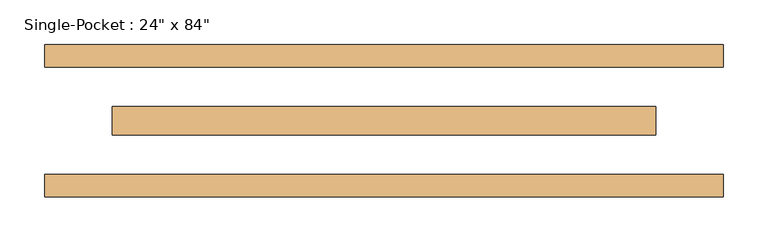
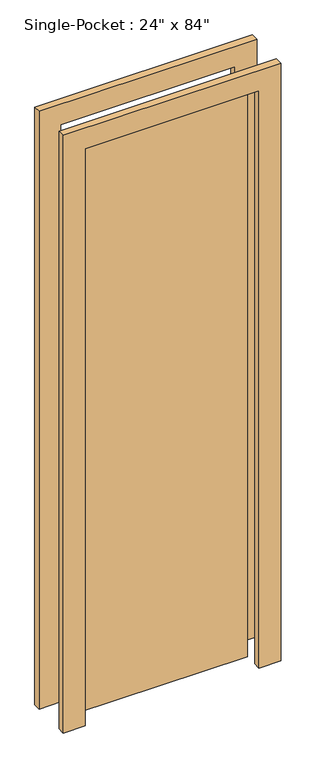
"""IFC4 building model written with IfcOpenShell, lengths in millimetres: door geometry."""

from ifc_helpers import new_model, si_unit, frame, origin, origin_with_axes, place, context, project, spatial, polyline, outline, extrude, source, transform, mapped, element, save


def door_3b50918a(model_context):
    return source(origin(), model_context, "Body", "SweptSolid", [
        extrude(outline(polyline([(-304.8, -15.875), (-304.8, 15.875), (304.8, 15.875), (304.8, -15.875), (-304.8, -15.875)])), origin_with_axes(), (0.0, 0.0, 1.0), 2133.6),
        extrude(outline(polyline([(2133.6, -304.8), (2133.6, 304.8), (0.0, 304.8), (0.0, 381.0), (2209.8, 381.0), (2209.8, -381.0), (0.0, -381.0), (0.0, -304.8), (2133.6, -304.8)])), frame((0.0, 60.325, 0.0), z_axis=(0.0, 1.0, 0.0), x_axis=(0.0, 0.0, 1.0)), (0.0, 0.0, 1.0), 25.4),
        extrude(outline(polyline([(2133.6, -304.8), (2133.6, 304.8), (0.0, 304.8), (0.0, 381.0), (2209.8, 381.0), (2209.8, -381.0), (0.0, -381.0), (0.0, -304.8), (2133.6, -304.8)])), frame((0.0, -85.725, 0.0), z_axis=(0.0, 1.0, 0.0), x_axis=(0.0, 0.0, 1.0)), (0.0, 0.0, 1.0), 25.4),
    ])


if __name__ == "__main__":
    model = new_model("IFC4")
    model_context = context("Model", 3, world=origin())
    ifc_project = project(units=[si_unit("LENGTHUNIT", "METRE", prefix="MILLI")], contexts=[model_context])
    site = spatial("IfcSite", under=ifc_project)
    building = spatial("IfcBuilding", under=site)
    placement = place(None, origin())
    door_shape = door_3b50918a(model_context)
    element("IfcDoor", 1, ObjectType="Single-Pocket : 24\" x 84\"", at=placement, inside=building, context=model_context, shape_type="MappedRepresentation", body=[
        mapped(door_shape, transform((0.0, 0.0, 0.0), x_axis=(1.0, 0.0, 0.0), y_axis=(0.0, 1.0, 0.0), z_axis=(0.0, 0.0, 1.0))),
    ])
    save(model, "model.ifc")
